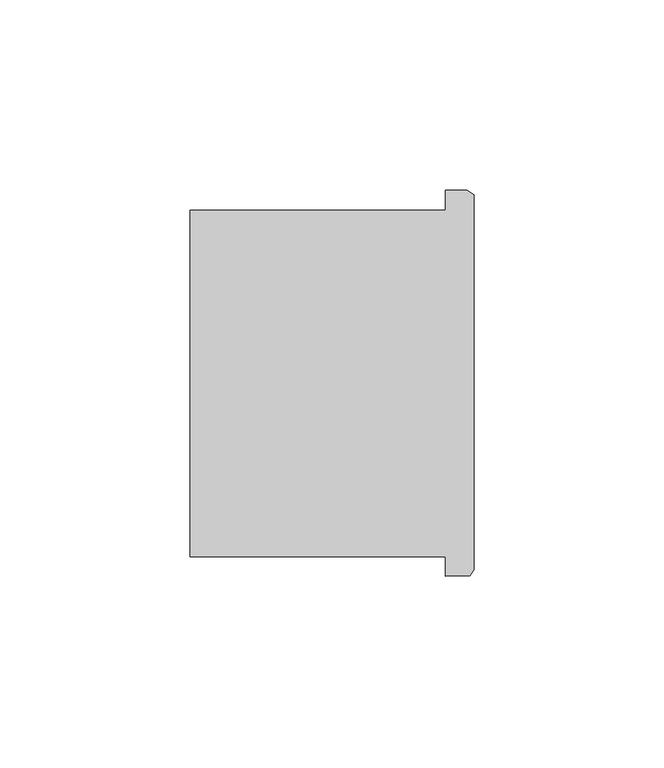
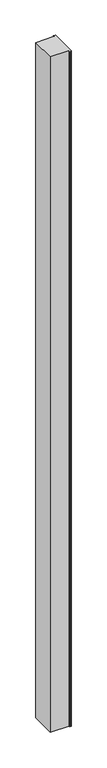
"""IFC4 building model written with IfcOpenShell, lengths in millimetres: column geometry."""

from ifc_helpers import new_model, si_unit, frame, origin, place, context, project, spatial, polyline, outline, extrude, source, transform, mapped, element, save


def column_5aaf4e26(model_context):
    return source(origin(), model_context, "Body", "SweptSolid", [
        extrude(outline(polyline([(81712.271297, -53716.2871062), (81712.271297, -53711.1959556), (81644.982379, -53711.1959556), (81644.982379, -53619.9891022), (81712.271297, -53619.9891022), (81712.271297, -53614.6871062), (81717.970168, -53614.6871062), (81719.7436976, -53615.9273374), (81719.7436976, -53714.6438024), (81718.658508, -53716.13209), (81712.271297, -53716.2871062)])), frame((0.0, 0.0, 4419.602032), z_axis=(0.0, 0.0, 1.0), x_axis=(1.0, 0.0, 0.0)), (0.0, 0.0, 1.0), 2590.8000809),
        extrude(outline(polyline([(81712.271297, -53716.2871062), (81712.271297, -53711.1959556), (81644.982379, -53711.1959556), (81644.982379, -53619.9891022), (81712.271297, -53619.9891022), (81712.271297, -53614.6871062), (81717.970168, -53614.6871062), (81719.7436976, -53615.9273374), (81719.7436976, -53714.6438024), (81718.658508, -53716.13209), (81712.271297, -53716.2871062)])), frame((0.0, 0.0, 4419.602032), z_axis=(0.0, 0.0, 1.0), x_axis=(1.0, 0.0, 0.0)), (0.0, 0.0, 1.0), 2590.8000809),
    ])


if __name__ == "__main__":
    model = new_model("IFC4")
    model_context = context("Model", 3, world=origin())
    ifc_project = project(units=[si_unit("LENGTHUNIT", "METRE", prefix="MILLI")], contexts=[model_context])
    site = spatial("IfcSite", under=ifc_project)
    building = spatial("IfcBuilding", under=site)
    placement = place(None, origin())
    column_shape = column_5aaf4e26(model_context)
    element("IfcColumn", 1, at=placement, inside=building, context=model_context, shape_type="MappedRepresentation", body=[
        mapped(column_shape, transform((0.0, 0.0, 0.0), x_axis=(1.0, 0.0, 0.0), y_axis=(0.0, 1.0, 0.0), z_axis=(0.0, 0.0, 1.0))),
    ])
    save(model, "model.ifc")
